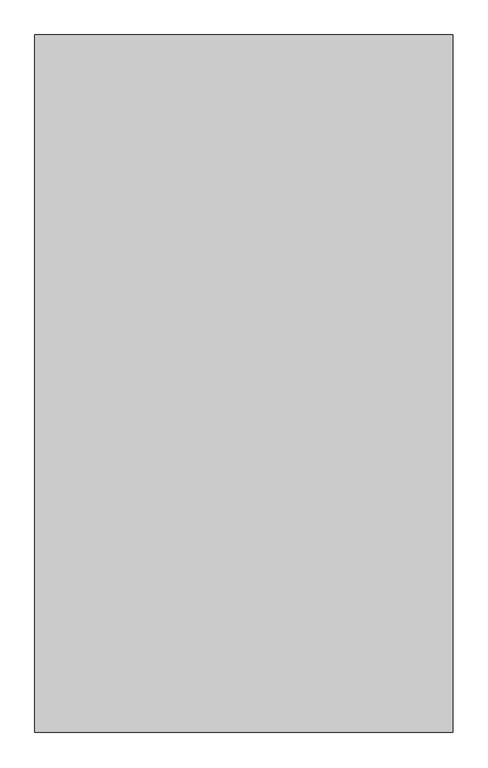
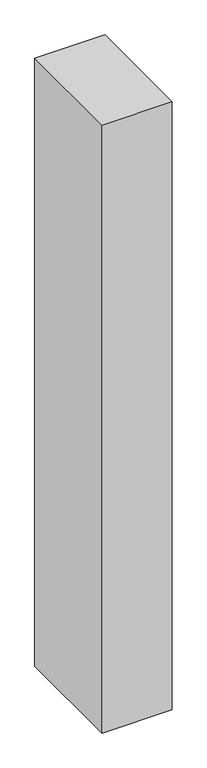
"""IFC4 building model written with IfcOpenShell, lengths in millimetres: proxy geometry."""

import ifcopenshell
import ifcopenshell.guid

model = None  # the IFC model being written
_history = None  # IfcOwnerHistory: only IFC2X3 demands one
_inside = {}  # id of a spatial element -> (the spatial element, [elements in it])
_under = {}  # id of a project, library or spatial element -> (it, [spatial elements below it])
_declared = {}  # id of a project -> (the project, [libraries it declares])
_typed = {}  # id of a type object -> (the type object, [elements of that type])
_made_of = {}  # id of a material, layer set ... -> (it, [elements and type objects made of it])


def new_model(schema):
    """Start an empty IFC model of exactly this schema.

    Asked for "IFC4X3", IfcOpenShell would pick the latest addendum, in which some entities
    have other attributes; the version numbers below select the first issue.
    IFC2X3 requires an IfcOwnerHistory on every rooted entity: one is made here for all.
    """
    global model, _history
    if schema == "IFC4X3":
        model = ifcopenshell.file(schema_version=(4, 3, 0, 0))
    else:
        model = ifcopenshell.file(schema=schema)
    _inside.clear()
    _under.clear()
    _declared.clear()
    _typed.clear()
    _made_of.clear()
    _history = None
    if model.schema == "IFC2X3":
        org = make("IfcOrganization", Name="unknown")
        user = make(
            "IfcPersonAndOrganization",
            ThePerson=make("IfcPerson", FamilyName="unknown"),
            TheOrganization=org,
        )
        app = make(
            "IfcApplication",
            ApplicationDeveloper=org,
            Version="unknown",
            ApplicationFullName="unknown",
            ApplicationIdentifier="unknown",
        )
        _history = make(
            "IfcOwnerHistory",
            OwningUser=user,
            OwningApplication=app,
            ChangeAction="ADDED",
            CreationDate=0,
        )
    return model


def make(cls, **values):
    """One entity of the class cls with the attributes given. An attribute that is None is left unset."""
    return model.create_entity(
        cls, **{name: value for name, value in values.items() if value is not None}
    )


def rooted(cls, **values):
    """An entity with a GlobalId (a new one), such as an element, a storey or a relation."""
    return make(cls, GlobalId=ifcopenshell.guid.new(), OwnerHistory=_history, **values)


def si_unit(unit_type, name, prefix=None):
    """IfcSIUnit, for example si_unit("LENGTHUNIT", "METRE", prefix="MILLI")."""
    return make("IfcSIUnit", UnitType=unit_type, Prefix=prefix, Name=name)


def assignment(units):
    """IfcUnitAssignment: the units of a project."""
    return None if units is None else make("IfcUnitAssignment", Units=units)


def point(xyz):
    """IfcCartesianPoint."""
    return None if xyz is None else make("IfcCartesianPoint", Coordinates=xyz)


def direction(xyz):
    """IfcDirection."""
    return None if xyz is None else make("IfcDirection", DirectionRatios=xyz)


def frame(location, z_axis=None, x_axis=None):
    """IfcAxis2Placement3D, a coordinate frame: its origin and axes. An axis left out is left unset."""
    return make(
        "IfcAxis2Placement3D",
        Location=point(location),
        Axis=direction(z_axis),
        RefDirection=direction(x_axis),
    )


def origin():
    """The frame at (0, 0, 0) with its axes left unset."""
    return frame((0.0, 0.0, 0.0))


def origin_with_axes():
    """The frame at (0, 0, 0) with the z axis (0, 0, 1) and the x axis (1, 0, 0) written out."""
    return frame((0.0, 0.0, 0.0), z_axis=(0.0, 0.0, 1.0), x_axis=(1.0, 0.0, 0.0))


def place(relative_to, where):
    """IfcLocalPlacement: puts the frame where relative to a parent placement (None: the world)."""
    return make(
        "IfcLocalPlacement", PlacementRelTo=relative_to, RelativePlacement=where
    )


def context(
    kind, dimensions, precision=None, world=None, true_north=None, identifier=None
):
    """IfcGeometricRepresentationContext, for example the 3D "Model" context."""
    return make(
        "IfcGeometricRepresentationContext",
        ContextIdentifier=identifier,
        ContextType=kind,
        CoordinateSpaceDimension=dimensions,
        Precision=precision,
        WorldCoordinateSystem=world,
        TrueNorth=true_north,
    )


def project(units=None, contexts=None):
    """IfcProject with its units and contexts."""
    return rooted(
        "IfcProject",
        Name="project",
        RepresentationContexts=contexts,
        UnitsInContext=assignment(units),
    )


def spatial(cls, under=None, at=None, **own):
    """A site, building, storey or space (cls), placed at a placement, below another one or the project."""
    s = rooted(cls, ObjectPlacement=at, **own)
    if under is not None:
        _under.setdefault(under.id(), (under, []))[1].append(s)
    return s


def polyline(points):
    """IfcPolyline through the points."""
    return make("IfcPolyline", Points=[point(p) for p in points])


def outline(outer, holes=None, kind="AREA"):
    """IfcArbitraryClosedProfileDef: a profile drawn as a closed curve; with holes, ...WithVoids."""
    if holes is None:
        return make("IfcArbitraryClosedProfileDef", ProfileType=kind, OuterCurve=outer)
    return make(
        "IfcArbitraryProfileDefWithVoids",
        ProfileType=kind,
        OuterCurve=outer,
        InnerCurves=holes,
    )


def extrude(swept, where, along, depth):
    """IfcExtrudedAreaSolid: the profile swept, set in the frame where, extruded along a direction by depth."""
    return make(
        "IfcExtrudedAreaSolid",
        SweptArea=swept,
        Position=where,
        ExtrudedDirection=direction(along),
        Depth=depth,
    )


def shape(context_of_items, identifier, shape_type, items):
    """IfcShapeRepresentation: the items that make up one representation, for example the "Body"."""
    return make(
        "IfcShapeRepresentation",
        ContextOfItems=context_of_items,
        RepresentationIdentifier=identifier,
        RepresentationType=shape_type,
        Items=items,
    )


def source(mapping_origin, context_of_items, identifier, shape_type, items):
    """IfcRepresentationMap: a shape defined once, which mapped items show again and again."""
    return make(
        "IfcRepresentationMap",
        MappingOrigin=mapping_origin,
        MappedRepresentation=shape(context_of_items, identifier, shape_type, items),
    )


def transform(
    local_origin,
    x_axis=None,
    y_axis=None,
    z_axis=None,
    scale=None,
    scale2=None,
    scale3=None,
    uniform=True,
):
    """IfcCartesianTransformationOperator3D, or its non-uniform kind. x_axis, y_axis, z_axis: its Axis1, 2, 3."""
    if uniform:
        return make(
            "IfcCartesianTransformationOperator3D",
            Axis1=direction(x_axis),
            Axis2=direction(y_axis),
            LocalOrigin=point(local_origin),
            Scale=scale,
            Axis3=direction(z_axis),
        )
    return make(
        "IfcCartesianTransformationOperator3DnonUniform",
        Axis1=direction(x_axis),
        Axis2=direction(y_axis),
        LocalOrigin=point(local_origin),
        Scale=scale,
        Axis3=direction(z_axis),
        Scale2=scale2,
        Scale3=scale3,
    )


def mapped(mapping_source, mapping_target):
    """IfcMappedItem: shows the shape of a source again, moved by a transform."""
    return make(
        "IfcMappedItem", MappingSource=mapping_source, MappingTarget=mapping_target
    )


def made_of(thing, what):
    """Note that an element or type object is made of a material, layer set ...; save() writes the relation."""
    if what is not None:
        _made_of.setdefault(what.id(), (what, []))[1].append(thing)
    return thing


def element(
    cls,
    number,
    at=None,
    inside=None,
    cuts=None,
    type_object=None,
    material=None,
    context=None,
    identifier="Body",
    shape_type=None,
    held_by="IfcProductDefinitionShape",
    body=None,
    shapes=None,
    **own,
):
    """One element of the class cls, such as IfcWall. Its Tag is "e" and its number.

    at: its placement. inside: the storey or other place that contains it. cuts: it is an
    opening in that element (IfcRelVoidsElement). A single representation is given by context,
    identifier, shape_type and body (its items); several are given by shapes. held_by: the class
    of the entity that holds the representations. save() writes the other relations.
    """
    e = rooted(cls, Tag="e%d" % number, ObjectPlacement=at, **own)
    if body is not None:
        shapes = [shape(context, identifier, shape_type, body)]
    if shapes is not None:
        e.Representation = make(held_by, Representations=shapes)
    if inside is not None:
        _inside.setdefault(inside.id(), (inside, []))[1].append(e)
    if cuts is not None:
        rooted(
            "IfcRelVoidsElement", RelatingBuildingElement=cuts, RelatedOpeningElement=e
        )
    if type_object is not None:
        _typed.setdefault(type_object.id(), (type_object, []))[1].append(e)
    return made_of(e, material)


def aggregate(whole, parts):
    """IfcRelAggregates: a whole, such as a stair, and the parts it consists of."""
    return rooted("IfcRelAggregates", RelatingObject=whole, RelatedObjects=parts)


def save(model, path):
    """Write the relations noted so far, then the file.

    IfcRelAggregates (storeys below a building ...), IfcRelContainedInSpatialStructure (elements
    in a storey), IfcRelDefinesByType, IfcRelAssociatesMaterial and IfcRelDeclares: one each for
    every whole, place, type object, material and project.
    """
    for whole, parts in _under.values():
        aggregate(whole, parts)
    for where, things in _inside.values():
        rooted(
            "IfcRelContainedInSpatialStructure",
            RelatedElements=things,
            RelatingStructure=where,
        )
    for kind, things in _typed.values():
        rooted("IfcRelDefinesByType", RelatedObjects=things, RelatingType=kind)
    for what, things in _made_of.values():
        rooted("IfcRelAssociatesMaterial", RelatedObjects=things, RelatingMaterial=what)
    for by, libraries in _declared.values():
        rooted("IfcRelDeclares", RelatingContext=by, RelatedDefinitions=libraries)
    model.write(path)


def generic_models_1b8f88b4(model_context):
    return source(origin(), model_context, "Body", "SweptSolid", [
        extrude(outline(polyline([(600.0, -1000.0), (0.0, -1000.0), (0.0, 0.0), (600.0, 0.0), (600.0, -1000.0)])), origin_with_axes(), (0.0, 0.0, 1.0), 5500.0),
    ])


if __name__ == "__main__":
    model = new_model("IFC4")
    model_context = context("Model", 3, world=origin())
    ifc_project = project(units=[si_unit("LENGTHUNIT", "METRE", prefix="MILLI")], contexts=[model_context])
    site = spatial("IfcSite", under=ifc_project)
    building = spatial("IfcBuilding", under=site)
    placement = place(None, origin())
    generic_models_shape = generic_models_1b8f88b4(model_context)
    element("IfcBuildingElementProxy", 1, Name="Generic Models", at=placement, inside=building, context=model_context, shape_type="MappedRepresentation", body=[
        mapped(generic_models_shape, transform((0.0, 0.0, 0.0), x_axis=(1.0, 0.0, 0.0), y_axis=(0.0, 1.0, 0.0), z_axis=(0.0, 0.0, 1.0))),
    ])
    save(model, "model.ifc")
